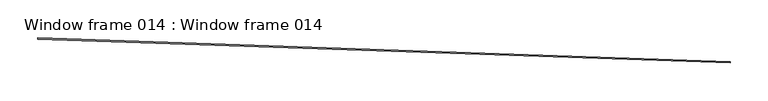
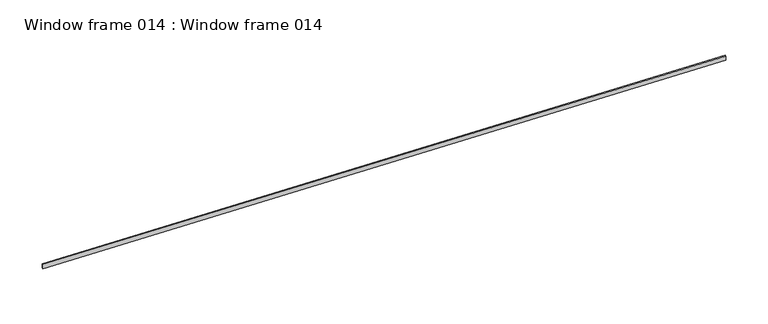
"""IFC4 building model written with IfcOpenShell, lengths in millimetres: proxy geometry, Window frame 014 : Window frame 014."""

from ifc_helpers import new_model, si_unit, frame, origin, place, context, project, spatial, polyline, outline, extrude, source, transform, mapped, element, save


def window_frame_014_window_frame_014_b73b34d3(model_context):
    return source(origin(), model_context, "Body", "SweptSolid", [
        extrude(outline(polyline([(34356.1043711, -15435.113027), (34356.0522476, -15436.6361354), (33442.1872192, -15405.3620261), (33442.2393428, -15403.8389177), (34356.1043711, -15435.113027)])), frame((0.0, 0.0, 2868.9201953), z_axis=(0.0, 0.0, 1.0), x_axis=(1.0, 0.0, 0.0)), (0.0, 0.0, 1.0), 6.35),
    ])


if __name__ == "__main__":
    model = new_model("IFC4")
    model_context = context("Model", 3, world=origin())
    ifc_project = project(units=[si_unit("LENGTHUNIT", "METRE", prefix="MILLI")], contexts=[model_context])
    site = spatial("IfcSite", under=ifc_project)
    building = spatial("IfcBuilding", under=site)
    placement = place(None, origin())
    window_frame_014_window_frame_014_shape = window_frame_014_window_frame_014_b73b34d3(model_context)
    element("IfcBuildingElementProxy", 1, Name="Window frame 014 : Window frame 014", ObjectType="Window frame 014 : Window frame 014", at=placement, inside=building, context=model_context, shape_type="MappedRepresentation", body=[
        mapped(window_frame_014_window_frame_014_shape, transform((0.0, 0.0, 0.0), x_axis=(1.0, 0.0, 0.0), y_axis=(0.0, 1.0, 0.0), z_axis=(0.0, 0.0, 1.0))),
    ])
    save(model, "model.ifc")
